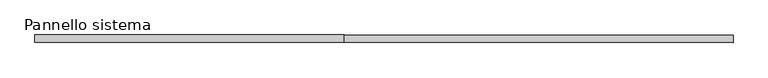
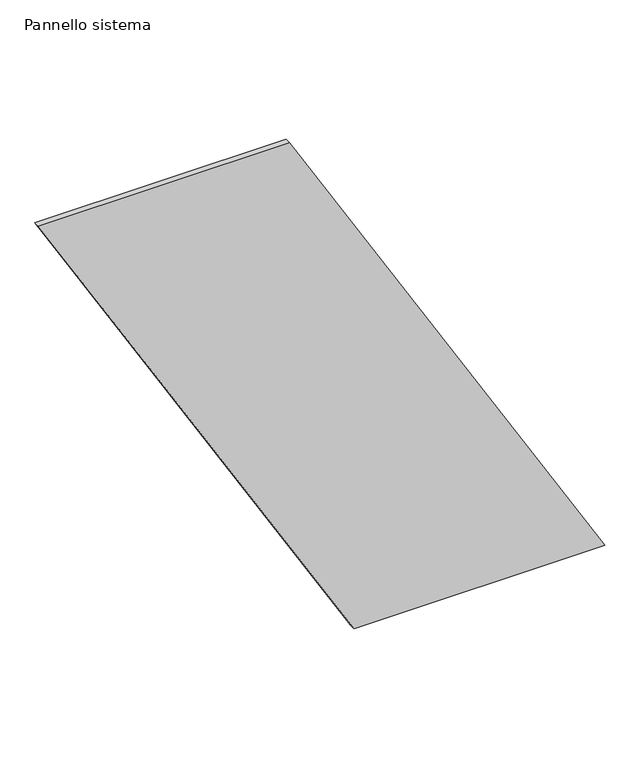
"""IFC4 building model written with IfcOpenShell, lengths in millimetres: plate geometry, Pannello sistema."""

from ifc_helpers import new_model, si_unit, frame, origin, place, context, project, spatial, polyline, outline, extrude, source, transform, mapped, element, save


def pannello_sistema_f3bdf69b(model_context):
    return source(origin(), model_context, "Body", "SweptSolid", [
        extrude(outline(polyline([(0.0, 130.8609878), (0.0, 1152.1820395), (2178.174828, -130.8609878), (2178.174828, -1152.1820395), (0.0, 130.8609878)])), frame((0.0, -12.5, 0.0), z_axis=(0.0, 1.0, 0.0), x_axis=(0.0, 0.0, 1.0)), (0.0, 0.0, 1.0), 25.0),
    ])


if __name__ == "__main__":
    model = new_model("IFC4")
    model_context = context("Model", 3, world=origin())
    ifc_project = project(units=[si_unit("LENGTHUNIT", "METRE", prefix="MILLI")], contexts=[model_context])
    site = spatial("IfcSite", under=ifc_project)
    building = spatial("IfcBuilding", under=site)
    placement = place(None, origin())
    pannello_sistema_shape = pannello_sistema_f3bdf69b(model_context)
    element("IfcPlate", 1, ObjectType="Pannello sistema", at=placement, inside=building, context=model_context, shape_type="MappedRepresentation", body=[
        mapped(pannello_sistema_shape, transform((0.0, 0.0, 0.0), x_axis=(1.0, 0.0, 0.0), y_axis=(0.0, 1.0, 0.0), z_axis=(0.0, 0.0, 1.0))),
    ])
    save(model, "model.ifc")
